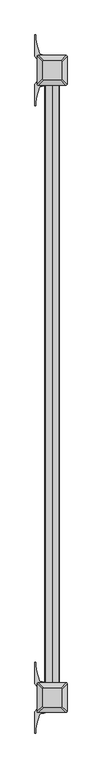
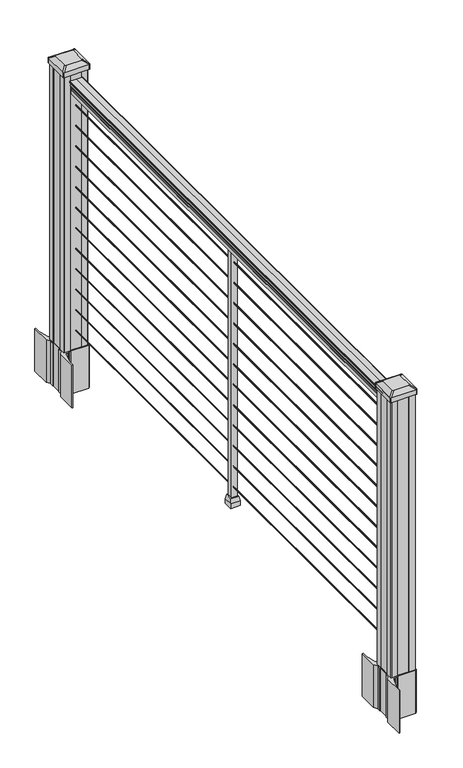
"""IFC4 building model written with IfcOpenShell, lengths in millimetres: railing geometry."""

import ifcopenshell
import ifcopenshell.guid

model = None  # the IFC model being written
_history = None  # IfcOwnerHistory: only IFC2X3 demands one
_inside = {}  # id of a spatial element -> (the spatial element, [elements in it])
_under = {}  # id of a project, library or spatial element -> (it, [spatial elements below it])
_declared = {}  # id of a project -> (the project, [libraries it declares])
_typed = {}  # id of a type object -> (the type object, [elements of that type])
_made_of = {}  # id of a material, layer set ... -> (it, [elements and type objects made of it])


def new_model(schema):
    """Start an empty IFC model of exactly this schema.

    Asked for "IFC4X3", IfcOpenShell would pick the latest addendum, in which some entities
    have other attributes; the version numbers below select the first issue.
    IFC2X3 requires an IfcOwnerHistory on every rooted entity: one is made here for all.
    """
    global model, _history
    if schema == "IFC4X3":
        model = ifcopenshell.file(schema_version=(4, 3, 0, 0))
    else:
        model = ifcopenshell.file(schema=schema)
    _inside.clear()
    _under.clear()
    _declared.clear()
    _typed.clear()
    _made_of.clear()
    _history = None
    if model.schema == "IFC2X3":
        org = make("IfcOrganization", Name="unknown")
        user = make(
            "IfcPersonAndOrganization",
            ThePerson=make("IfcPerson", FamilyName="unknown"),
            TheOrganization=org,
        )
        app = make(
            "IfcApplication",
            ApplicationDeveloper=org,
            Version="unknown",
            ApplicationFullName="unknown",
            ApplicationIdentifier="unknown",
        )
        _history = make(
            "IfcOwnerHistory",
            OwningUser=user,
            OwningApplication=app,
            ChangeAction="ADDED",
            CreationDate=0,
        )
    return model


def make(cls, **values):
    """One entity of the class cls with the attributes given. An attribute that is None is left unset."""
    return model.create_entity(
        cls, **{name: value for name, value in values.items() if value is not None}
    )


def rooted(cls, **values):
    """An entity with a GlobalId (a new one), such as an element, a storey or a relation."""
    return make(cls, GlobalId=ifcopenshell.guid.new(), OwnerHistory=_history, **values)


def si_unit(unit_type, name, prefix=None):
    """IfcSIUnit, for example si_unit("LENGTHUNIT", "METRE", prefix="MILLI")."""
    return make("IfcSIUnit", UnitType=unit_type, Prefix=prefix, Name=name)


def assignment(units):
    """IfcUnitAssignment: the units of a project."""
    return None if units is None else make("IfcUnitAssignment", Units=units)


def point(xyz):
    """IfcCartesianPoint."""
    return None if xyz is None else make("IfcCartesianPoint", Coordinates=xyz)


def direction(xyz):
    """IfcDirection."""
    return None if xyz is None else make("IfcDirection", DirectionRatios=xyz)


def frame(location, z_axis=None, x_axis=None):
    """IfcAxis2Placement3D, a coordinate frame: its origin and axes. An axis left out is left unset."""
    return make(
        "IfcAxis2Placement3D",
        Location=point(location),
        Axis=direction(z_axis),
        RefDirection=direction(x_axis),
    )


def frame_2d(location, x_axis=None):
    """IfcAxis2Placement2D, a coordinate frame in the plane: its origin and x axis."""
    return make(
        "IfcAxis2Placement2D", Location=point(location), RefDirection=direction(x_axis)
    )


def origin():
    """The frame at (0, 0, 0) with its axes left unset."""
    return frame((0.0, 0.0, 0.0))


def origin_with_axes():
    """The frame at (0, 0, 0) with the z axis (0, 0, 1) and the x axis (1, 0, 0) written out."""
    return frame((0.0, 0.0, 0.0), z_axis=(0.0, 0.0, 1.0), x_axis=(1.0, 0.0, 0.0))


def place(relative_to, where):
    """IfcLocalPlacement: puts the frame where relative to a parent placement (None: the world)."""
    return make(
        "IfcLocalPlacement", PlacementRelTo=relative_to, RelativePlacement=where
    )


def context(
    kind, dimensions, precision=None, world=None, true_north=None, identifier=None
):
    """IfcGeometricRepresentationContext, for example the 3D "Model" context."""
    return make(
        "IfcGeometricRepresentationContext",
        ContextIdentifier=identifier,
        ContextType=kind,
        CoordinateSpaceDimension=dimensions,
        Precision=precision,
        WorldCoordinateSystem=world,
        TrueNorth=true_north,
    )


def project(units=None, contexts=None):
    """IfcProject with its units and contexts."""
    return rooted(
        "IfcProject",
        Name="project",
        RepresentationContexts=contexts,
        UnitsInContext=assignment(units),
    )


def spatial(cls, under=None, at=None, **own):
    """A site, building, storey or space (cls), placed at a placement, below another one or the project."""
    s = rooted(cls, ObjectPlacement=at, **own)
    if under is not None:
        _under.setdefault(under.id(), (under, []))[1].append(s)
    return s


def polyline(points):
    """IfcPolyline through the points."""
    return make("IfcPolyline", Points=[point(p) for p in points])


def circle_curve(where, radius):
    """IfcCircle in the frame where."""
    return make("IfcCircle", Position=where, Radius=radius)


def trimmed(basis, trim1, trim2, sense, master):
    """IfcTrimmedCurve: the piece of a basis curve between two trims."""
    return make(
        "IfcTrimmedCurve",
        BasisCurve=basis,
        Trim1=trim1,
        Trim2=trim2,
        SenseAgreement=sense,
        MasterRepresentation=master,
    )


def segment(curve, same_sense, transition):
    """IfcCompositeCurveSegment."""
    return make(
        "IfcCompositeCurveSegment",
        Transition=transition,
        SameSense=same_sense,
        ParentCurve=curve,
    )


def composite_curve(segments, self_intersect=None):
    """IfcCompositeCurve: segments joined end to end."""
    return make("IfcCompositeCurve", Segments=segments, SelfIntersect=self_intersect)


def outline(outer, holes=None, kind="AREA"):
    """IfcArbitraryClosedProfileDef: a profile drawn as a closed curve; with holes, ...WithVoids."""
    if holes is None:
        return make("IfcArbitraryClosedProfileDef", ProfileType=kind, OuterCurve=outer)
    return make(
        "IfcArbitraryProfileDefWithVoids",
        ProfileType=kind,
        OuterCurve=outer,
        InnerCurves=holes,
    )


def extrude(swept, where, along, depth):
    """IfcExtrudedAreaSolid: the profile swept, set in the frame where, extruded along a direction by depth."""
    return make(
        "IfcExtrudedAreaSolid",
        SweptArea=swept,
        Position=where,
        ExtrudedDirection=direction(along),
        Depth=depth,
    )


def faces_of(points, faces, orient=None, outer=None):
    """IfcFace entities. A face is a list of loops; a loop is a list of indices into points, from 0.

    orient and outer hold one flag for each loop. By default every Orientation is true, the
    first loop of a face is its IfcFaceOuterBound and the others are IfcFaceBound.
    """
    made = []
    for i, loops in enumerate(faces):
        bounds = []
        for j, loop in enumerate(loops):
            is_outer = j == 0 if outer is None else outer[i][j]
            bounds.append(
                make(
                    "IfcFaceOuterBound" if is_outer else "IfcFaceBound",
                    Bound=make("IfcPolyLoop", Polygon=[points[k] for k in loop]),
                    Orientation=True if orient is None else orient[i][j],
                )
            )
        made.append(make("IfcFace", Bounds=bounds))
    return made


def faceted_brep(points, faces, orient=None, outer=None, voids=None):
    """IfcFacetedBrep: a solid bounded by flat faces; with voids (closed shells), ...WithVoids."""
    shared = [point(p) for p in points]
    hull = make("IfcClosedShell", CfsFaces=faces_of(shared, faces, orient, outer))
    if voids is None:
        return make("IfcFacetedBrep", Outer=hull)
    return make(
        "IfcFacetedBrepWithVoids",
        Outer=hull,
        Voids=[
            make(cls, CfsFaces=faces_of(shared, fs, o, b)) for cls, fs, o, b in voids
        ],
    )


def shape(context_of_items, identifier, shape_type, items):
    """IfcShapeRepresentation: the items that make up one representation, for example the "Body"."""
    return make(
        "IfcShapeRepresentation",
        ContextOfItems=context_of_items,
        RepresentationIdentifier=identifier,
        RepresentationType=shape_type,
        Items=items,
    )


def source(mapping_origin, context_of_items, identifier, shape_type, items):
    """IfcRepresentationMap: a shape defined once, which mapped items show again and again."""
    return make(
        "IfcRepresentationMap",
        MappingOrigin=mapping_origin,
        MappedRepresentation=shape(context_of_items, identifier, shape_type, items),
    )


def transform(
    local_origin,
    x_axis=None,
    y_axis=None,
    z_axis=None,
    scale=None,
    scale2=None,
    scale3=None,
    uniform=True,
):
    """IfcCartesianTransformationOperator3D, or its non-uniform kind. x_axis, y_axis, z_axis: its Axis1, 2, 3."""
    if uniform:
        return make(
            "IfcCartesianTransformationOperator3D",
            Axis1=direction(x_axis),
            Axis2=direction(y_axis),
            LocalOrigin=point(local_origin),
            Scale=scale,
            Axis3=direction(z_axis),
        )
    return make(
        "IfcCartesianTransformationOperator3DnonUniform",
        Axis1=direction(x_axis),
        Axis2=direction(y_axis),
        LocalOrigin=point(local_origin),
        Scale=scale,
        Axis3=direction(z_axis),
        Scale2=scale2,
        Scale3=scale3,
    )


def mapped(mapping_source, mapping_target):
    """IfcMappedItem: shows the shape of a source again, moved by a transform."""
    return make(
        "IfcMappedItem", MappingSource=mapping_source, MappingTarget=mapping_target
    )


def made_of(thing, what):
    """Note that an element or type object is made of a material, layer set ...; save() writes the relation."""
    if what is not None:
        _made_of.setdefault(what.id(), (what, []))[1].append(thing)
    return thing


def element(
    cls,
    number,
    at=None,
    inside=None,
    cuts=None,
    type_object=None,
    material=None,
    context=None,
    identifier="Body",
    shape_type=None,
    held_by="IfcProductDefinitionShape",
    body=None,
    shapes=None,
    **own,
):
    """One element of the class cls, such as IfcWall. Its Tag is "e" and its number.

    at: its placement. inside: the storey or other place that contains it. cuts: it is an
    opening in that element (IfcRelVoidsElement). A single representation is given by context,
    identifier, shape_type and body (its items); several are given by shapes. held_by: the class
    of the entity that holds the representations. save() writes the other relations.
    """
    e = rooted(cls, Tag="e%d" % number, ObjectPlacement=at, **own)
    if body is not None:
        shapes = [shape(context, identifier, shape_type, body)]
    if shapes is not None:
        e.Representation = make(held_by, Representations=shapes)
    if inside is not None:
        _inside.setdefault(inside.id(), (inside, []))[1].append(e)
    if cuts is not None:
        rooted(
            "IfcRelVoidsElement", RelatingBuildingElement=cuts, RelatedOpeningElement=e
        )
    if type_object is not None:
        _typed.setdefault(type_object.id(), (type_object, []))[1].append(e)
    return made_of(e, material)


def aggregate(whole, parts):
    """IfcRelAggregates: a whole, such as a stair, and the parts it consists of."""
    return rooted("IfcRelAggregates", RelatingObject=whole, RelatedObjects=parts)


def save(model, path):
    """Write the relations noted so far, then the file.

    IfcRelAggregates (storeys below a building ...), IfcRelContainedInSpatialStructure (elements
    in a storey), IfcRelDefinesByType, IfcRelAssociatesMaterial and IfcRelDeclares: one each for
    every whole, place, type object, material and project.
    """
    for whole, parts in _under.values():
        aggregate(whole, parts)
    for where, things in _inside.values():
        rooted(
            "IfcRelContainedInSpatialStructure",
            RelatedElements=things,
            RelatingStructure=where,
        )
    for kind, things in _typed.values():
        rooted("IfcRelDefinesByType", RelatedObjects=things, RelatingType=kind)
    for what, things in _made_of.values():
        rooted("IfcRelAssociatesMaterial", RelatedObjects=things, RelatingMaterial=what)
    for by, libraries in _declared.values():
        rooted("IfcRelDeclares", RelatingContext=by, RelatedDefinitions=libraries)
    model.write(path)


def plane_surface(at):
    """IfcPlane: the flat surface through the origin of the frame at, square to its z axis."""
    return make("IfcPlane", Position=at)


def extruded_surface(curve, direction_of_extrusion, depth):
    """IfcSurfaceOfLinearExtrusion: the curve pushed along a direction by depth."""
    return make(
        "IfcSurfaceOfLinearExtrusion",
        SweptCurve=make("IfcArbitraryOpenProfileDef", ProfileType="CURVE", Curve=curve),
        ExtrudedDirection=direction(direction_of_extrusion),
        Depth=depth,
    )


def advanced_brep(points, edges, surfaces, faces):
    """IfcAdvancedBrep: a solid bounded by faces that lie on surfaces and meet in shared edges.

    An edge is (start, end): straight between two places in points (the first is 0);
    or (start, end, curve); or (start, end, curve, False) where it runs against its curve.
    A face is (place in surfaces, loops), or (place, loops, False) where it looks against
    its surface's normal. A loop lists edges by number (the first is 1), with a minus sign
    where the edge is run from its end to its start. The first loop is the outer one.
    """
    corners = [point(p) for p in points]
    vertices = [make("IfcVertexPoint", VertexGeometry=c) for c in corners]
    made = []
    for start, end, *more in edges:
        made.append(
            make(
                "IfcEdgeCurve",
                EdgeStart=vertices[start],
                EdgeEnd=vertices[end],
                EdgeGeometry=more[0] if more else make("IfcPolyline", Points=[corners[start], corners[end]]),
                SameSense=more[1] if len(more) > 1 else True,
            )
        )
    hull = []
    for where, loops, *sense in faces:
        bounds = []
        for j, loop in enumerate(loops):
            ring = [make("IfcOrientedEdge", EdgeElement=made[abs(k) - 1], Orientation=k > 0) for k in loop]
            bounds.append(
                make(
                    "IfcFaceOuterBound" if j == 0 else "IfcFaceBound",
                    Bound=make("IfcEdgeLoop", EdgeList=ring),
                    Orientation=True,
                )
            )
        hull.append(make("IfcAdvancedFace", Bounds=bounds, FaceSurface=surfaces[where], SameSense=sense[0] if sense else True))
    return make("IfcAdvancedBrep", Outer=make("IfcClosedShell", CfsFaces=hull))


def railing_4041a4f0(model_context):
    return source(origin(), model_context, "Body", "SolidModel", [
        extrude(outline(composite_curve([segment(polyline([(938.4043297, -269.9529214), (940.292412, -269.9529214)]), True, "CONTINUOUS"), segment(trimmed(circle_curve(frame_2d((946.0506383, -276.2676747)), 8.545951), [point((940.292412, -269.9529214))], [point((941.8546695, -268.8227351))], False, "CARTESIAN"), True, "CONTINUOUS"), segment(trimmed(circle_curve(frame_2d((945.4636577, -275.8306117)), 7.882584), [point((941.8546695, -268.8227351))], [point((949.0726458, -268.8227351))], False, "CARTESIAN"), True, "CONTINUOUS"), segment(trimmed(circle_curve(frame_2d((951.3112527, -265.3172876)), 4.1592695), [point((949.0726458, -268.8227351))], [point((951.5060812, -269.4719915))], True, "CARTESIAN"), True, "CONTINUOUS"), segment(trimmed(circle_curve(frame_2d((951.2508864, -264.0299811)), 5.4479907), [point((951.5060812, -269.4719915))], [point((955.8362083, -266.9719915))], True, "CARTESIAN"), True, "CONTINUOUS"), segment(trimmed(circle_curve(frame_2d((955.833395, -265.2631395)), 1.7088543), [point((955.8362083, -266.9719915))], [point((957.5157972, -265.5626491))], True, "CARTESIAN"), True, "CONTINUOUS"), segment(trimmed(circle_curve(frame_2d((958.6205318, -266.8800396)), 1.7192895), [point((957.5157972, -265.5626491))], [point((958.6205318, -265.1607501))], False, "CARTESIAN"), True, "CONTINUOUS"), segment(polyline([(958.6205318, -265.1607501), (959.9608158, -265.1607502)]), True, "CONTINUOUS"), segment(trimmed(circle_curve(frame_2d((959.9608158, -266.7141974)), 1.5534472), [point((959.9608158, -265.1607502))], [point((961.514263, -266.7141974))], False, "CARTESIAN"), True, "CONTINUOUS"), segment(polyline([(961.514263, -266.7141974), (961.514263, -287.3857502), (961.514263, -308.0573029)]), True, "CONTINUOUS"), segment(trimmed(circle_curve(frame_2d((959.9608158, -308.0573029)), 1.5534472), [point((961.514263, -308.0573029))], [point((959.9608158, -309.6107502))], False, "CARTESIAN"), True, "CONTINUOUS"), segment(polyline([(959.9608158, -309.6107502), (958.6205318, -309.6107502)]), True, "CONTINUOUS"), segment(trimmed(circle_curve(frame_2d((958.6205318, -307.8914607)), 1.7192895), [point((958.6205318, -309.6107502))], [point((957.5157972, -309.2088512))], False, "CARTESIAN"), True, "CONTINUOUS"), segment(trimmed(circle_curve(frame_2d((955.833395, -309.5083608)), 1.7088543), [point((957.5157972, -309.2088512))], [point((955.8362083, -307.7995088))], True, "CARTESIAN"), True, "CONTINUOUS"), segment(trimmed(circle_curve(frame_2d((951.2508864, -310.7415193)), 5.4479907), [point((955.8362083, -307.7995088))], [point((951.5060812, -305.2995088))], True, "CARTESIAN"), True, "CONTINUOUS"), segment(trimmed(circle_curve(frame_2d((951.3112527, -309.4542127)), 4.1592695), [point((951.5060812, -305.2995088))], [point((949.0726458, -305.9487652))], True, "CARTESIAN"), True, "CONTINUOUS"), segment(trimmed(circle_curve(frame_2d((945.4636577, -298.9408886)), 7.882584), [point((949.0726458, -305.9487652))], [point((941.8546695, -305.9487652))], False, "CARTESIAN"), True, "CONTINUOUS"), segment(trimmed(circle_curve(frame_2d((946.0506383, -298.5038256)), 8.545951), [point((941.8546695, -305.9487652))], [point((940.292412, -304.8185789))], False, "CARTESIAN"), True, "CONTINUOUS"), segment(polyline([(940.292412, -304.8185789), (938.4043297, -304.8185789)]), True, "CONTINUOUS"), segment(trimmed(circle_curve(frame_2d((938.4043297, -303.5316645)), 1.2869144), [point((938.4043297, -304.8185789))], [point((938.4043297, -302.2447502))], False, "CARTESIAN"), True, "CONTINUOUS"), segment(polyline([(938.4043297, -302.2447502), (927.9048283, -302.2447502), (926.8888283, -303.2607502), (914.4, -303.2607502), (914.4, -271.5107502), (926.731013, -271.5107502), (927.747013, -272.5267502), (938.4043297, -272.5267502)]), True, "CONTINUOUS"), segment(trimmed(circle_curve(frame_2d((938.4043297, -271.2398358)), 1.2869144), [point((938.4043297, -272.5267502))], [point((938.4043297, -269.9529214))], False, "CARTESIAN"), True, "CONTINUOUS")], self_intersect=False)), frame((0.0, -101690.1191011, 0.0), z_axis=(0.0, 1.0, 0.0), x_axis=(0.0, 0.0, 1.0)), (0.0, 0.0, 1.0), 1828.8),
        extrude(outline(composite_curve([segment(trimmed(circle_curve(frame_2d((65.024, -287.3857502)), 1.5875), [point((65.024, -288.9732502))], [point((63.4365, -287.3857502))], False, "CARTESIAN"), True, "CONTINUOUS"), segment(trimmed(circle_curve(frame_2d((65.024, -287.3857502)), 1.5875), [point((63.4365, -287.3857502))], [point((65.024, -285.7982502))], False, "CARTESIAN"), True, "CONTINUOUS"), segment(trimmed(circle_curve(frame_2d((65.024, -287.3857502)), 1.5875), [point((65.024, -285.7982502))], [point((66.6115, -287.3857502))], False, "CARTESIAN"), True, "CONTINUOUS"), segment(trimmed(circle_curve(frame_2d((65.024, -287.3857502)), 1.5875), [point((66.6115, -287.3857502))], [point((65.024, -288.9732502))], False, "CARTESIAN"), True, "CONTINUOUS")], self_intersect=False)), frame((0.0, -101690.1191011, 0.0), z_axis=(0.0, 1.0, 0.0), x_axis=(0.0, 0.0, 1.0)), (0.0, 0.0, 1.0), 1828.8),
        extrude(outline(composite_curve([segment(trimmed(circle_curve(frame_2d((138.176, -287.3857502)), 1.5875), [point((138.176, -288.9732502))], [point((136.5885, -287.3857502))], False, "CARTESIAN"), True, "CONTINUOUS"), segment(trimmed(circle_curve(frame_2d((138.176, -287.3857502)), 1.5875), [point((136.5885, -287.3857502))], [point((138.176, -285.7982502))], False, "CARTESIAN"), True, "CONTINUOUS"), segment(trimmed(circle_curve(frame_2d((138.176, -287.3857502)), 1.5875), [point((138.176, -285.7982502))], [point((139.7635, -287.3857502))], False, "CARTESIAN"), True, "CONTINUOUS"), segment(trimmed(circle_curve(frame_2d((138.176, -287.3857502)), 1.5875), [point((139.7635, -287.3857502))], [point((138.176, -288.9732502))], False, "CARTESIAN"), True, "CONTINUOUS")], self_intersect=False)), frame((0.0, -101690.1191011, 0.0), z_axis=(0.0, 1.0, 0.0), x_axis=(0.0, 0.0, 1.0)), (0.0, 0.0, 1.0), 1828.8),
        extrude(outline(composite_curve([segment(trimmed(circle_curve(frame_2d((211.074, -287.3857502)), 1.5875), [point((211.074, -288.9732502))], [point((209.4865, -287.3857502))], False, "CARTESIAN"), True, "CONTINUOUS"), segment(trimmed(circle_curve(frame_2d((211.074, -287.3857502)), 1.5875), [point((209.4865, -287.3857502))], [point((211.074, -285.7982502))], False, "CARTESIAN"), True, "CONTINUOUS"), segment(trimmed(circle_curve(frame_2d((211.074, -287.3857502)), 1.5875), [point((211.074, -285.7982502))], [point((212.6615, -287.3857502))], False, "CARTESIAN"), True, "CONTINUOUS"), segment(trimmed(circle_curve(frame_2d((211.074, -287.3857502)), 1.5875), [point((212.6615, -287.3857502))], [point((211.074, -288.9732502))], False, "CARTESIAN"), True, "CONTINUOUS")], self_intersect=False)), frame((0.0, -101690.1191011, 0.0), z_axis=(0.0, 1.0, 0.0), x_axis=(0.0, 0.0, 1.0)), (0.0, 0.0, 1.0), 1828.8),
        extrude(outline(composite_curve([segment(trimmed(circle_curve(frame_2d((284.226, -287.3857502)), 1.5875), [point((284.226, -288.9732502))], [point((282.6385, -287.3857502))], False, "CARTESIAN"), True, "CONTINUOUS"), segment(trimmed(circle_curve(frame_2d((284.226, -287.3857502)), 1.5875), [point((282.6385, -287.3857502))], [point((284.226, -285.7982502))], False, "CARTESIAN"), True, "CONTINUOUS"), segment(trimmed(circle_curve(frame_2d((284.226, -287.3857502)), 1.5875), [point((284.226, -285.7982502))], [point((285.8135, -287.3857502))], False, "CARTESIAN"), True, "CONTINUOUS"), segment(trimmed(circle_curve(frame_2d((284.226, -287.3857502)), 1.5875), [point((285.8135, -287.3857502))], [point((284.226, -288.9732502))], False, "CARTESIAN"), True, "CONTINUOUS")], self_intersect=False)), frame((0.0, -101690.1191011, 0.0), z_axis=(0.0, 1.0, 0.0), x_axis=(0.0, 0.0, 1.0)), (0.0, 0.0, 1.0), 1828.8),
        extrude(outline(composite_curve([segment(trimmed(circle_curve(frame_2d((357.124, -287.3857502)), 1.5875), [point((357.124, -288.9732502))], [point((355.5365, -287.3857502))], False, "CARTESIAN"), True, "CONTINUOUS"), segment(trimmed(circle_curve(frame_2d((357.124, -287.3857502)), 1.5875), [point((355.5365, -287.3857502))], [point((357.124, -285.7982502))], False, "CARTESIAN"), True, "CONTINUOUS"), segment(trimmed(circle_curve(frame_2d((357.124, -287.3857502)), 1.5875), [point((357.124, -285.7982502))], [point((358.7115, -287.3857502))], False, "CARTESIAN"), True, "CONTINUOUS"), segment(trimmed(circle_curve(frame_2d((357.124, -287.3857502)), 1.5875), [point((358.7115, -287.3857502))], [point((357.124, -288.9732502))], False, "CARTESIAN"), True, "CONTINUOUS")], self_intersect=False)), frame((0.0, -101690.1191011, 0.0), z_axis=(0.0, 1.0, 0.0), x_axis=(0.0, 0.0, 1.0)), (0.0, 0.0, 1.0), 1828.8),
        extrude(outline(composite_curve([segment(trimmed(circle_curve(frame_2d((430.276, -287.3857502)), 1.5875), [point((430.276, -288.9732502))], [point((428.6885, -287.3857502))], False, "CARTESIAN"), True, "CONTINUOUS"), segment(trimmed(circle_curve(frame_2d((430.276, -287.3857502)), 1.5875), [point((428.6885, -287.3857502))], [point((430.276, -285.7982502))], False, "CARTESIAN"), True, "CONTINUOUS"), segment(trimmed(circle_curve(frame_2d((430.276, -287.3857502)), 1.5875), [point((430.276, -285.7982502))], [point((431.8635, -287.3857502))], False, "CARTESIAN"), True, "CONTINUOUS"), segment(trimmed(circle_curve(frame_2d((430.276, -287.3857502)), 1.5875), [point((431.8635, -287.3857502))], [point((430.276, -288.9732502))], False, "CARTESIAN"), True, "CONTINUOUS")], self_intersect=False)), frame((0.0, -101690.1191011, 0.0), z_axis=(0.0, 1.0, 0.0), x_axis=(0.0, 0.0, 1.0)), (0.0, 0.0, 1.0), 1828.8),
        extrude(outline(composite_curve([segment(trimmed(circle_curve(frame_2d((503.174, -287.3857502)), 1.5875), [point((503.174, -288.9732502))], [point((501.5865, -287.3857502))], False, "CARTESIAN"), True, "CONTINUOUS"), segment(trimmed(circle_curve(frame_2d((503.174, -287.3857502)), 1.5875), [point((501.5865, -287.3857502))], [point((503.174, -285.7982502))], False, "CARTESIAN"), True, "CONTINUOUS"), segment(trimmed(circle_curve(frame_2d((503.174, -287.3857502)), 1.5875), [point((503.174, -285.7982502))], [point((504.7615, -287.3857502))], False, "CARTESIAN"), True, "CONTINUOUS"), segment(trimmed(circle_curve(frame_2d((503.174, -287.3857502)), 1.5875), [point((504.7615, -287.3857502))], [point((503.174, -288.9732502))], False, "CARTESIAN"), True, "CONTINUOUS")], self_intersect=False)), frame((0.0, -101690.1191011, 0.0), z_axis=(0.0, 1.0, 0.0), x_axis=(0.0, 0.0, 1.0)), (0.0, 0.0, 1.0), 1828.8),
        extrude(outline(composite_curve([segment(trimmed(circle_curve(frame_2d((576.326, -287.3857502)), 1.5875), [point((576.326, -288.9732502))], [point((574.7385, -287.3857502))], False, "CARTESIAN"), True, "CONTINUOUS"), segment(trimmed(circle_curve(frame_2d((576.326, -287.3857502)), 1.5875), [point((574.7385, -287.3857502))], [point((576.326, -285.7982502))], False, "CARTESIAN"), True, "CONTINUOUS"), segment(trimmed(circle_curve(frame_2d((576.326, -287.3857502)), 1.5875), [point((576.326, -285.7982502))], [point((577.9135, -287.3857502))], False, "CARTESIAN"), True, "CONTINUOUS"), segment(trimmed(circle_curve(frame_2d((576.326, -287.3857502)), 1.5875), [point((577.9135, -287.3857502))], [point((576.326, -288.9732502))], False, "CARTESIAN"), True, "CONTINUOUS")], self_intersect=False)), frame((0.0, -101690.1191011, 0.0), z_axis=(0.0, 1.0, 0.0), x_axis=(0.0, 0.0, 1.0)), (0.0, 0.0, 1.0), 1828.8),
        extrude(outline(composite_curve([segment(trimmed(circle_curve(frame_2d((649.224, -287.3857502)), 1.5875), [point((649.224, -288.9732502))], [point((647.6365, -287.3857502))], False, "CARTESIAN"), True, "CONTINUOUS"), segment(trimmed(circle_curve(frame_2d((649.224, -287.3857502)), 1.5875), [point((647.6365, -287.3857502))], [point((649.224, -285.7982502))], False, "CARTESIAN"), True, "CONTINUOUS"), segment(trimmed(circle_curve(frame_2d((649.224, -287.3857502)), 1.5875), [point((649.224, -285.7982502))], [point((650.8115, -287.3857502))], False, "CARTESIAN"), True, "CONTINUOUS"), segment(trimmed(circle_curve(frame_2d((649.224, -287.3857502)), 1.5875), [point((650.8115, -287.3857502))], [point((649.224, -288.9732502))], False, "CARTESIAN"), True, "CONTINUOUS")], self_intersect=False)), frame((0.0, -101690.1191011, 0.0), z_axis=(0.0, 1.0, 0.0), x_axis=(0.0, 0.0, 1.0)), (0.0, 0.0, 1.0), 1828.8),
        extrude(outline(composite_curve([segment(trimmed(circle_curve(frame_2d((722.376, -287.3857502)), 1.5875), [point((722.376, -288.9732502))], [point((720.7885, -287.3857502))], False, "CARTESIAN"), True, "CONTINUOUS"), segment(trimmed(circle_curve(frame_2d((722.376, -287.3857502)), 1.5875), [point((720.7885, -287.3857502))], [point((722.376, -285.7982502))], False, "CARTESIAN"), True, "CONTINUOUS"), segment(trimmed(circle_curve(frame_2d((722.376, -287.3857502)), 1.5875), [point((722.376, -285.7982502))], [point((723.9635, -287.3857502))], False, "CARTESIAN"), True, "CONTINUOUS"), segment(trimmed(circle_curve(frame_2d((722.376, -287.3857502)), 1.5875), [point((723.9635, -287.3857502))], [point((722.376, -288.9732502))], False, "CARTESIAN"), True, "CONTINUOUS")], self_intersect=False)), frame((0.0, -101690.1191011, 0.0), z_axis=(0.0, 1.0, 0.0), x_axis=(0.0, 0.0, 1.0)), (0.0, 0.0, 1.0), 1828.8),
        extrude(outline(composite_curve([segment(trimmed(circle_curve(frame_2d((795.274, -287.3857502)), 1.5875), [point((795.274, -288.9732502))], [point((793.6865, -287.3857502))], False, "CARTESIAN"), True, "CONTINUOUS"), segment(trimmed(circle_curve(frame_2d((795.274, -287.3857502)), 1.5875), [point((793.6865, -287.3857502))], [point((795.274, -285.7982502))], False, "CARTESIAN"), True, "CONTINUOUS"), segment(trimmed(circle_curve(frame_2d((795.274, -287.3857502)), 1.5875), [point((795.274, -285.7982502))], [point((796.8615, -287.3857502))], False, "CARTESIAN"), True, "CONTINUOUS"), segment(trimmed(circle_curve(frame_2d((795.274, -287.3857502)), 1.5875), [point((796.8615, -287.3857502))], [point((795.274, -288.9732502))], False, "CARTESIAN"), True, "CONTINUOUS")], self_intersect=False)), frame((0.0, -101690.1191011, 0.0), z_axis=(0.0, 1.0, 0.0), x_axis=(0.0, 0.0, 1.0)), (0.0, 0.0, 1.0), 1828.8),
        extrude(outline(composite_curve([segment(trimmed(circle_curve(frame_2d((868.426, -287.3857502)), 1.5875), [point((868.426, -288.9732502))], [point((866.8385, -287.3857502))], False, "CARTESIAN"), True, "CONTINUOUS"), segment(trimmed(circle_curve(frame_2d((868.426, -287.3857502)), 1.5875), [point((866.8385, -287.3857502))], [point((868.426, -285.7982502))], False, "CARTESIAN"), True, "CONTINUOUS"), segment(trimmed(circle_curve(frame_2d((868.426, -287.3857502)), 1.5875), [point((868.426, -285.7982502))], [point((870.0135, -287.3857502))], False, "CARTESIAN"), True, "CONTINUOUS"), segment(trimmed(circle_curve(frame_2d((868.426, -287.3857502)), 1.5875), [point((870.0135, -287.3857502))], [point((868.426, -288.9732502))], False, "CARTESIAN"), True, "CONTINUOUS")], self_intersect=False)), frame((0.0, -101690.1191011, 0.0), z_axis=(0.0, 1.0, 0.0), x_axis=(0.0, 0.0, 1.0)), (0.0, 0.0, 1.0), 1828.8),
        faceted_brep([(-274.6857502, -100788.4191011, 32.1497081), (-274.6857502, -100763.0191011, 32.1497081), (-300.0857502, -100763.0191011, 32.1497081), (-300.0857502, -100788.4191011, 32.1497081), (-271.5107502, -100791.5941011, 16.2747081), (-303.2607502, -100791.5941011, 16.2747081), (-303.2607502, -100759.8441011, 16.2747081), (-271.5107502, -100759.8441011, 16.2747081)], [[[0, 1, 2, 3]], [[4, 5, 6, 7]], [[4, 0, 3, 5]], [[5, 3, 2, 6]], [[6, 2, 1, 7]], [[7, 1, 0, 4]]]),
        extrude(outline(polyline([(-271.5107502, -100791.5941011), (-303.2607502, -100791.5941011), (-303.2607502, -100759.8441011), (-271.5107502, -100759.8441011), (-271.5107502, -100791.5941011)])), origin_with_axes(), (0.0, 0.0, 1.0), 16.2747081),
        extrude(outline(polyline([(-277.8607502, -100785.2441011), (-296.9107502, -100785.2441011), (-296.9107502, -100766.1941011), (-277.8607502, -100766.1941011), (-277.8607502, -100785.2441011)])), origin_with_axes(), (0.0, 0.0, 1.0), 914.4),
        extrude(outline(composite_curve([segment(polyline([(-244.6502502, -99837.303196), (-243.0627502, -99838.065196), (-243.0627502, -99860.8671241), (-246.4357272, -99864.2401011), (-307.895398, -99864.2401011), (-307.895398, -99865.1608511), (-313.2129419, -99865.1608511), (-313.2129419, -99866.6151058), (-318.2974716, -99866.6151058), (-318.2974716, -99867.8991297), (-319.9647439, -99867.8991297)]), True, "CONTINUOUS"), segment(trimmed(circle_curve(frame_2d((-319.9647439, -99874.9585895)), 7.0594599), [point((-319.9647439, -99867.8991297))], [point((-326.7320067, -99872.9485828))], True, "CARTESIAN"), True, "CONTINUOUS"), segment(polyline([(-326.7320067, -99872.9485828), (-334.606201, -99899.4593119)]), True, "CONTINUOUS"), segment(trimmed(circle_curve(frame_2d((-279.8216877, -99915.7313616)), 57.15), [point((-334.606201, -99899.4593119))], [point((-336.9716877, -99915.7313616))], True, "CARTESIAN"), True, "CONTINUOUS"), segment(polyline([(-336.9716877, -99915.7313616), (-336.9716877, -99927.7401011), (-339.9716877, -99927.7401011), (-339.9716877, -99862.6526011), (-331.7087502, -99851.3143098), (-331.7087502, -99838.065196), (-330.1212502, -99837.303196), (-330.1212502, -99802.5310063), (-331.7087502, -99801.7690063), (-331.7087502, -99788.5198925), (-339.9716877, -99777.1816011), (-339.9716877, -99712.0941011), (-336.9716877, -99712.0941011), (-336.9716877, -99724.1028407)]), True, "CONTINUOUS"), segment(trimmed(circle_curve(frame_2d((-279.8216877, -99724.1028407)), 57.15), [point((-336.9716877, -99724.1028407))], [point((-334.606201, -99740.3748904))], True, "CARTESIAN"), True, "CONTINUOUS"), segment(polyline([(-334.606201, -99740.3748904), (-326.7320067, -99766.8856194)]), True, "CONTINUOUS"), segment(trimmed(circle_curve(frame_2d((-319.9647439, -99764.8756128)), 7.0594599), [point((-326.7320067, -99766.8856194))], [point((-319.9647439, -99771.9350726))], True, "CARTESIAN"), True, "CONTINUOUS"), segment(polyline([(-319.9647439, -99771.9350726), (-318.2974716, -99771.9350726), (-318.2974716, -99773.2190965), (-313.2129419, -99773.2190965), (-313.2129419, -99774.6733511), (-307.895398, -99774.6733511), (-307.895398, -99775.5941011), (-246.4357272, -99775.5941011), (-243.0627502, -99778.9670782), (-243.0627502, -99801.7690063), (-244.6502502, -99802.5310063), (-244.6502502, -99837.303196)]), True, "CONTINUOUS")], self_intersect=False), holes=[polyline([(-328.6607502, -99780.2296011), (-328.6607502, -99859.6046011), (-327.0732502, -99861.1921011), (-290.1489675, -99861.1921011), (-247.6982502, -99861.1921011), (-246.1107502, -99859.6046011), (-246.1107502, -99780.2296011), (-247.6982502, -99778.6421011), (-290.1489675, -99778.6421011), (-327.0732502, -99778.6421011), (-328.6607502, -99780.2296011)])]), frame((0.0, 0.0, -152.4), z_axis=(0.0, 0.0, 1.0), x_axis=(1.0, 0.0, 0.0)), (0.0, 0.0, 1.0), 152.4),
        advanced_brep(
        [(-313.1826252, -99848.8889761, 1012.825), (-261.5888752, -99848.8889761, 1012.825), (-258.4138752, -99845.7139761, 1012.825), (-258.4138752, -99794.1202261, 1012.825), (-261.5888752, -99790.9452261, 1012.825), (-313.1826252, -99790.9452261, 1012.825), (-316.3576252, -99794.1202261, 1012.825), (-316.3576252, -99845.7139761, 1012.825), (-329.4545002, -99865.1608511, 1001.522), (-332.6295002, -99861.9858511, 1001.522), (-332.6295002, -99777.8483511, 1001.522), (-329.4545002, -99774.6733511, 1001.522), (-245.3170002, -99774.6733511, 1001.522), (-242.1420002, -99777.8483511, 1001.522), (-242.1420002, -99861.9858511, 1001.522), (-245.3170002, -99865.1608511, 1001.522)],
        [
            (0, 1),
            (1, 2, circle_curve(frame((-261.5888752, -99845.7139761, 1012.825), z_axis=(0.0, 0.0, 1.0), x_axis=(0.0, 1.0, 0.0)), 3.175)),
            (2, 3),
            (3, 4, circle_curve(frame((-261.5888752, -99794.1202261, 1012.825), z_axis=(0.0, 0.0, 1.0), x_axis=(0.0, 1.0, 0.0)), 3.175)),
            (4, 5),
            (5, 6, circle_curve(frame((-313.1826252, -99794.1202261, 1012.825), z_axis=(0.0, 0.0, 1.0), x_axis=(0.0, 1.0, 0.0)), 3.175)),
            (6, 7),
            (7, 0, circle_curve(frame((-313.1826252, -99845.7139761, 1012.825), z_axis=(0.0, 0.0, 1.0), x_axis=(0.0, 1.0, 0.0)), 3.175)),
            (8, 9, circle_curve(frame((-329.4545002, -99861.9858511, 1001.522), z_axis=(0.0, 0.0, -1.0), x_axis=(0.0, 1.0, 0.0)), 3.175)),
            (9, 10),
            (10, 11, circle_curve(frame((-329.4545002, -99777.8483511, 1001.522), z_axis=(0.0, 0.0, -1.0), x_axis=(0.0, 1.0, 0.0)), 3.175)),
            (11, 12),
            (12, 13, circle_curve(frame((-245.3170002, -99777.8483511, 1001.522), z_axis=(0.0, 0.0, -1.0), x_axis=(0.0, 1.0, 0.0)), 3.175)),
            (13, 14),
            (14, 15, circle_curve(frame((-245.3170002, -99861.9858511, 1001.522), z_axis=(0.0, 0.0, -1.0), x_axis=(0.0, 1.0, 0.0)), 3.175)),
            (15, 8),
            (8, 0),
            (7, 9),
            (6, 10),
            (5, 11),
            (4, 12),
            (3, 13),
            (2, 14),
            (1, 15),
        ],
        [
            plane_surface(frame((-287.3857502, -99819.9171011, 1012.825), z_axis=(0.0, 0.0, 1.0), x_axis=(-1.0, 0.0, 0.0))),
            plane_surface(frame((-287.3857502, -99819.9171011, 1001.522), z_axis=(0.0, 0.0, -1.0), x_axis=(-1.0, 0.0, 0.0))),
            extruded_surface(trimmed(circle_curve(frame((-313.1826252, -99845.7139761, 1012.825), z_axis=(0.0, 0.0, -1.0), x_axis=(0.0, 1.0, 0.0)), 3.175), [point((-313.1826252, -99848.8889761, 1012.825))], [point((-316.3576252, -99845.7139761, 1012.825))], True, "CARTESIAN"), (-16.271874999999966, -16.27187500000582, -11.302999999999997), 25.637972638869837),
            plane_surface(frame((-332.6295002, -99819.9171011, 1001.522), z_axis=(-0.5705009161540779, 0.0, 0.8212969649690408), x_axis=(0.0, 1.0, 0.0))),
            extruded_surface(trimmed(circle_curve(frame((-313.1826252, -99794.1202261, 1012.825), z_axis=(0.0, 0.0, -1.0), x_axis=(0.0, 1.0, 0.0)), 3.175), [point((-316.3576252, -99794.1202261, 1012.825))], [point((-313.1826252, -99790.9452261, 1012.825))], True, "CARTESIAN"), (-16.271874999999966, 16.27187500000582, -11.302999999999997), 25.637972638869837),
            plane_surface(frame((-287.3857502, -99774.6733511, 1001.522), z_axis=(0.0, 0.5705009161540291, 0.8212969649690747), x_axis=(1.0, 0.0, 0.0))),
            extruded_surface(trimmed(circle_curve(frame((-261.5888752, -99794.1202261, 1012.825), z_axis=(0.0, 0.0, -1.0), x_axis=(0.0, 1.0, 0.0)), 3.175), [point((-261.5888752, -99790.9452261, 1012.825))], [point((-258.4138752, -99794.1202261, 1012.825))], True, "CARTESIAN"), (16.271875000000023, 16.27187500000582, -11.302999999999997), 25.637972638869872),
            plane_surface(frame((-242.1420002, -99819.9171011, 1001.522), z_axis=(0.5705009161540141, 0.0, 0.8212969649690851), x_axis=(0.0, -1.0, 0.0))),
            extruded_surface(trimmed(circle_curve(frame((-261.5888752, -99845.7139761, 1012.825), z_axis=(0.0, 0.0, -1.0), x_axis=(0.0, 1.0, 0.0)), 3.175), [point((-258.4138752, -99845.7139761, 1012.825))], [point((-261.5888752, -99848.8889761, 1012.825))], True, "CARTESIAN"), (16.271875000000023, -16.27187500000582, -11.302999999999997), 25.637972638869872),
            plane_surface(frame((-287.3857502, -99865.1608511, 1001.522), z_axis=(0.0, -0.570500916154034, 0.8212969649690713), x_axis=(-1.0, 0.0, 0.0))),
        ],
        [
            (0, [[1, 2, 3, 4, 5, 6, 7, 8]]),
            (1, [[9, 10, 11, 12, 13, 14, 15, 16]]),
            (2, [[17, -8, 18, -9]]),
            (3, [[-18, -7, 19, -10]]),
            (4, [[-19, -6, 20, -11]]),
            (5, [[-20, -5, 21, -12]]),
            (6, [[-21, -4, 22, -13]]),
            (7, [[-22, -3, 23, -14]]),
            (8, [[-23, -2, 24, -15]]),
            (9, [[-24, -1, -17, -16]]),
        ],
    ),
        extrude(outline(composite_curve([segment(trimmed(circle_curve(frame_2d((-329.4545002, -99861.9858511)), 3.175), [point((-329.4545002, -99865.1608511))], [point((-332.6295002, -99861.9858511))], False, "CARTESIAN"), True, "CONTINUOUS"), segment(polyline([(-332.6295002, -99861.9858511), (-332.6295002, -99777.8483511)]), True, "CONTINUOUS"), segment(trimmed(circle_curve(frame_2d((-329.4545002, -99777.8483511)), 3.175), [point((-332.6295002, -99777.8483511))], [point((-329.4545002, -99774.6733511))], False, "CARTESIAN"), True, "CONTINUOUS"), segment(polyline([(-329.4545002, -99774.6733511), (-245.3170002, -99774.6733511)]), True, "CONTINUOUS"), segment(trimmed(circle_curve(frame_2d((-245.3170002, -99777.8483511)), 3.175), [point((-245.3170002, -99774.6733511))], [point((-242.1420002, -99777.8483511))], False, "CARTESIAN"), True, "CONTINUOUS"), segment(polyline([(-242.1420002, -99777.8483511), (-242.1420002, -99861.9858511)]), True, "CONTINUOUS"), segment(trimmed(circle_curve(frame_2d((-245.3170002, -99861.9858511)), 3.175), [point((-242.1420002, -99861.9858511))], [point((-245.3170002, -99865.1608511))], False, "CARTESIAN"), True, "CONTINUOUS"), segment(polyline([(-245.3170002, -99865.1608511), (-329.4545002, -99865.1608511)]), True, "CONTINUOUS")], self_intersect=False)), frame((0.0, 0.0, 984.25), z_axis=(0.0, 0.0, 1.0), x_axis=(1.0, 0.0, 0.0)), (0.0, 0.0, 1.0), 17.272),
        extrude(outline(polyline([(-327.0732502, -99861.1921011), (-328.6607502, -99859.6046011), (-328.6607502, -99839.9831011), (-327.0732502, -99839.2211011), (-327.0732502, -99800.6131011), (-328.6607502, -99799.8511011), (-328.6607502, -99780.2296011), (-327.0732502, -99778.6421011), (-307.4517502, -99778.6421011), (-306.6897502, -99780.2296011), (-268.0817502, -99780.2296011), (-267.3197502, -99778.6421011), (-247.6982502, -99778.6421011), (-246.1107502, -99780.2296011), (-246.1107502, -99799.8511011), (-247.6982502, -99800.6131011), (-247.6982502, -99839.2211011), (-246.1107502, -99839.9831011), (-246.1107502, -99859.6046011), (-247.6982502, -99861.1921011), (-267.3197502, -99861.1921011), (-268.0817502, -99859.6046011), (-306.6897502, -99859.6046011), (-307.4517502, -99861.1921011), (-327.0732502, -99861.1921011)])), origin_with_axes(), (0.0, 0.0, 1.0), 984.25),
        extrude(outline(composite_curve([segment(polyline([(-244.6502502, -101748.907196), (-243.0627502, -101749.669196), (-243.0627502, -101772.4711241), (-246.4357272, -101775.8441011), (-307.895398, -101775.8441011), (-307.895398, -101776.7648511), (-313.2129419, -101776.7648511), (-313.2129419, -101778.2191058), (-318.2974716, -101778.2191058), (-318.2974716, -101779.5031297), (-319.9647439, -101779.5031297)]), True, "CONTINUOUS"), segment(trimmed(circle_curve(frame_2d((-319.9647439, -101786.5625895)), 7.0594599), [point((-319.9647439, -101779.5031297))], [point((-326.7320067, -101784.5525828))], True, "CARTESIAN"), True, "CONTINUOUS"), segment(polyline([(-326.7320067, -101784.5525828), (-334.606201, -101811.0633119)]), True, "CONTINUOUS"), segment(trimmed(circle_curve(frame_2d((-279.8216877, -101827.3353616)), 57.15), [point((-334.606201, -101811.0633119))], [point((-336.9716877, -101827.3353616))], True, "CARTESIAN"), True, "CONTINUOUS"), segment(polyline([(-336.9716877, -101827.3353616), (-336.9716877, -101839.3441011), (-339.9716877, -101839.3441011), (-339.9716877, -101774.2566011), (-331.7087502, -101762.9183098), (-331.7087502, -101749.669196), (-330.1212502, -101748.907196), (-330.1212502, -101714.1350063), (-331.7087502, -101713.3730063), (-331.7087502, -101700.1238925), (-339.9716877, -101688.7856011), (-339.9716877, -101623.6981011), (-336.9716877, -101623.6981011), (-336.9716877, -101635.7068407)]), True, "CONTINUOUS"), segment(trimmed(circle_curve(frame_2d((-279.8216877, -101635.7068407)), 57.15), [point((-336.9716877, -101635.7068407))], [point((-334.606201, -101651.9788904))], True, "CARTESIAN"), True, "CONTINUOUS"), segment(polyline([(-334.606201, -101651.9788904), (-326.7320067, -101678.4896194)]), True, "CONTINUOUS"), segment(trimmed(circle_curve(frame_2d((-319.9647439, -101676.4796128)), 7.0594599), [point((-326.7320067, -101678.4896194))], [point((-319.9647439, -101683.5390726))], True, "CARTESIAN"), True, "CONTINUOUS"), segment(polyline([(-319.9647439, -101683.5390726), (-318.2974716, -101683.5390726), (-318.2974716, -101684.8230965), (-313.2129419, -101684.8230965), (-313.2129419, -101686.2773511), (-307.895398, -101686.2773511), (-307.895398, -101687.1981011), (-246.4357272, -101687.1981011), (-243.0627502, -101690.5710782), (-243.0627502, -101713.3730063), (-244.6502502, -101714.1350063), (-244.6502502, -101748.907196)]), True, "CONTINUOUS")], self_intersect=False), holes=[polyline([(-328.6607502, -101691.8336011), (-328.6607502, -101771.2086011), (-327.0732502, -101772.7961011), (-290.1489675, -101772.7961011), (-247.6982502, -101772.7961011), (-246.1107502, -101771.2086011), (-246.1107502, -101691.8336011), (-247.6982502, -101690.2461011), (-290.1489675, -101690.2461011), (-327.0732502, -101690.2461011), (-328.6607502, -101691.8336011)])]), frame((0.0, 0.0, -152.4), z_axis=(0.0, 0.0, 1.0), x_axis=(1.0, 0.0, 0.0)), (0.0, 0.0, 1.0), 152.4),
        advanced_brep(
        [(-313.1826252, -101760.4929761, 1012.825), (-261.5888752, -101760.4929761, 1012.825), (-258.4138752, -101757.3179761, 1012.825), (-258.4138752, -101705.7242261, 1012.825), (-261.5888752, -101702.5492261, 1012.825), (-313.1826252, -101702.5492261, 1012.825), (-316.3576252, -101705.7242261, 1012.825), (-316.3576252, -101757.3179761, 1012.825), (-329.4545002, -101776.7648511, 1001.522), (-332.6295002, -101773.5898511, 1001.522), (-332.6295002, -101689.4523511, 1001.522), (-329.4545002, -101686.2773511, 1001.522), (-245.3170002, -101686.2773511, 1001.522), (-242.1420002, -101689.4523511, 1001.522), (-242.1420002, -101773.5898511, 1001.522), (-245.3170002, -101776.7648511, 1001.522)],
        [
            (0, 1),
            (1, 2, circle_curve(frame((-261.5888752, -101757.3179761, 1012.825), z_axis=(0.0, 0.0, 1.0), x_axis=(0.0, 1.0, 0.0)), 3.175)),
            (2, 3),
            (3, 4, circle_curve(frame((-261.5888752, -101705.7242261, 1012.825), z_axis=(0.0, 0.0, 1.0), x_axis=(0.0, 1.0, 0.0)), 3.175)),
            (4, 5),
            (5, 6, circle_curve(frame((-313.1826252, -101705.7242261, 1012.825), z_axis=(0.0, 0.0, 1.0), x_axis=(0.0, 1.0, 0.0)), 3.175)),
            (6, 7),
            (7, 0, circle_curve(frame((-313.1826252, -101757.3179761, 1012.825), z_axis=(0.0, 0.0, 1.0), x_axis=(0.0, 1.0, 0.0)), 3.175)),
            (8, 9, circle_curve(frame((-329.4545002, -101773.5898511, 1001.522), z_axis=(0.0, 0.0, -1.0), x_axis=(0.0, 1.0, 0.0)), 3.175)),
            (9, 10),
            (10, 11, circle_curve(frame((-329.4545002, -101689.4523511, 1001.522), z_axis=(0.0, 0.0, -1.0), x_axis=(0.0, 1.0, 0.0)), 3.175)),
            (11, 12),
            (12, 13, circle_curve(frame((-245.3170002, -101689.4523511, 1001.522), z_axis=(0.0, 0.0, -1.0), x_axis=(0.0, 1.0, 0.0)), 3.175)),
            (13, 14),
            (14, 15, circle_curve(frame((-245.3170002, -101773.5898511, 1001.522), z_axis=(0.0, 0.0, -1.0), x_axis=(0.0, 1.0, 0.0)), 3.175)),
            (15, 8),
            (8, 0),
            (7, 9),
            (6, 10),
            (5, 11),
            (4, 12),
            (3, 13),
            (2, 14),
            (1, 15),
        ],
        [
            plane_surface(frame((-287.3857502, -101731.5211011, 1012.825), z_axis=(0.0, 0.0, 1.0), x_axis=(-1.0, 0.0, 0.0))),
            plane_surface(frame((-287.3857502, -101731.5211011, 1001.522), z_axis=(0.0, 0.0, -1.0), x_axis=(-1.0, 0.0, 0.0))),
            extruded_surface(trimmed(circle_curve(frame((-313.1826252, -101757.3179761, 1012.825), z_axis=(0.0, 0.0, -1.0), x_axis=(0.0, 1.0, 0.0)), 3.175), [point((-313.1826252, -101760.4929761, 1012.825))], [point((-316.3576252, -101757.3179761, 1012.825))], True, "CARTESIAN"), (-16.271874999999966, -16.27187499999127, -11.302999999999997), 25.6379726388606),
            plane_surface(frame((-332.6295002, -101731.5211011, 1001.522), z_axis=(-0.5705009161540779, 0.0, 0.8212969649690408), x_axis=(0.0, 1.0, 0.0))),
            extruded_surface(trimmed(circle_curve(frame((-313.1826252, -101705.7242261, 1012.825), z_axis=(0.0, 0.0, -1.0), x_axis=(0.0, 1.0, 0.0)), 3.175), [point((-316.3576252, -101705.7242261, 1012.825))], [point((-313.1826252, -101702.5492261, 1012.825))], True, "CARTESIAN"), (-16.271874999999966, 16.27187500000582, -11.302999999999997), 25.637972638869837),
            plane_surface(frame((-287.3857502, -101686.2773511, 1001.522), z_axis=(0.0, 0.5705009161540291, 0.8212969649690747), x_axis=(1.0, 0.0, 0.0))),
            extruded_surface(trimmed(circle_curve(frame((-261.5888752, -101705.7242261, 1012.825), z_axis=(0.0, 0.0, -1.0), x_axis=(0.0, 1.0, 0.0)), 3.175), [point((-261.5888752, -101702.5492261, 1012.825))], [point((-258.4138752, -101705.7242261, 1012.825))], True, "CARTESIAN"), (16.271875000000023, 16.27187500000582, -11.302999999999997), 25.637972638869872),
            plane_surface(frame((-242.1420002, -101731.5211011, 1001.522), z_axis=(0.5705009161540141, 0.0, 0.8212969649690851), x_axis=(0.0, -1.0, 0.0))),
            extruded_surface(trimmed(circle_curve(frame((-261.5888752, -101757.3179761, 1012.825), z_axis=(0.0, 0.0, -1.0), x_axis=(0.0, 1.0, 0.0)), 3.175), [point((-258.4138752, -101757.3179761, 1012.825))], [point((-261.5888752, -101760.4929761, 1012.825))], True, "CARTESIAN"), (16.271875000000023, -16.27187499999127, -11.302999999999997), 25.637972638860635),
            plane_surface(frame((-287.3857502, -101776.7648511, 1001.522), z_axis=(0.0, -0.570500916154034, 0.8212969649690713), x_axis=(-1.0, 0.0, 0.0))),
        ],
        [
            (0, [[1, 2, 3, 4, 5, 6, 7, 8]]),
            (1, [[9, 10, 11, 12, 13, 14, 15, 16]]),
            (2, [[17, -8, 18, -9]]),
            (3, [[-18, -7, 19, -10]]),
            (4, [[-19, -6, 20, -11]]),
            (5, [[-20, -5, 21, -12]]),
            (6, [[-21, -4, 22, -13]]),
            (7, [[-22, -3, 23, -14]]),
            (8, [[-23, -2, 24, -15]]),
            (9, [[-24, -1, -17, -16]]),
        ],
    ),
        extrude(outline(composite_curve([segment(trimmed(circle_curve(frame_2d((-329.4545002, -101773.5898511)), 3.175), [point((-329.4545002, -101776.7648511))], [point((-332.6295002, -101773.5898511))], False, "CARTESIAN"), True, "CONTINUOUS"), segment(polyline([(-332.6295002, -101773.5898511), (-332.6295002, -101689.4523511)]), True, "CONTINUOUS"), segment(trimmed(circle_curve(frame_2d((-329.4545002, -101689.4523511)), 3.175), [point((-332.6295002, -101689.4523511))], [point((-329.4545002, -101686.2773511))], False, "CARTESIAN"), True, "CONTINUOUS"), segment(polyline([(-329.4545002, -101686.2773511), (-245.3170002, -101686.2773511)]), True, "CONTINUOUS"), segment(trimmed(circle_curve(frame_2d((-245.3170002, -101689.4523511)), 3.175), [point((-245.3170002, -101686.2773511))], [point((-242.1420002, -101689.4523511))], False, "CARTESIAN"), True, "CONTINUOUS"), segment(polyline([(-242.1420002, -101689.4523511), (-242.1420002, -101773.5898511)]), True, "CONTINUOUS"), segment(trimmed(circle_curve(frame_2d((-245.3170002, -101773.5898511)), 3.175), [point((-242.1420002, -101773.5898511))], [point((-245.3170002, -101776.7648511))], False, "CARTESIAN"), True, "CONTINUOUS"), segment(polyline([(-245.3170002, -101776.7648511), (-329.4545002, -101776.7648511)]), True, "CONTINUOUS")], self_intersect=False)), frame((0.0, 0.0, 984.25), z_axis=(0.0, 0.0, 1.0), x_axis=(1.0, 0.0, 0.0)), (0.0, 0.0, 1.0), 17.272),
        extrude(outline(polyline([(-327.0732502, -101772.7961011), (-328.6607502, -101771.2086011), (-328.6607502, -101751.5871011), (-327.0732502, -101750.8251011), (-327.0732502, -101712.2171011), (-328.6607502, -101711.4551011), (-328.6607502, -101691.8336011), (-327.0732502, -101690.2461011), (-307.4517502, -101690.2461011), (-306.6897502, -101691.8336011), (-268.0817502, -101691.8336011), (-267.3197502, -101690.2461011), (-247.6982502, -101690.2461011), (-246.1107502, -101691.8336011), (-246.1107502, -101711.4551011), (-247.6982502, -101712.2171011), (-247.6982502, -101750.8251011), (-246.1107502, -101751.5871011), (-246.1107502, -101771.2086011), (-247.6982502, -101772.7961011), (-267.3197502, -101772.7961011), (-268.0817502, -101771.2086011), (-306.6897502, -101771.2086011), (-307.4517502, -101772.7961011), (-327.0732502, -101772.7961011)])), origin_with_axes(), (0.0, 0.0, 1.0), 984.25),
    ])


if __name__ == "__main__":
    model = new_model("IFC4")
    model_context = context("Model", 3, world=origin())
    ifc_project = project(units=[si_unit("LENGTHUNIT", "METRE", prefix="MILLI")], contexts=[model_context])
    site = spatial("IfcSite", under=ifc_project)
    building = spatial("IfcBuilding", under=site)
    placement = place(None, origin())
    railing_shape = railing_4041a4f0(model_context)
    element("IfcRailing", 1, at=placement, inside=building, context=model_context, shape_type="MappedRepresentation", body=[
        mapped(railing_shape, transform((0.0, 0.0, 0.0), x_axis=(1.0, 0.0, 0.0), y_axis=(0.0, 1.0, 0.0), z_axis=(0.0, 0.0, 1.0))),
    ])
    save(model, "model.ifc")
